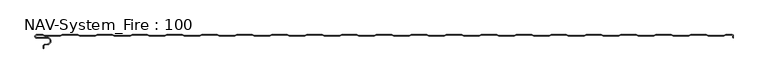
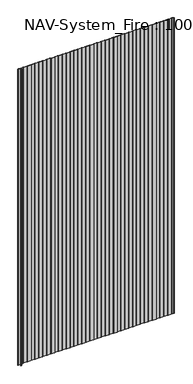
"""IFC4 building model written with IfcOpenShell, lengths in millimetres: plate geometry, NAV-System_Fire : 100."""

from ifc_helpers import new_model, si_unit, frame, origin, place, context, project, spatial, polyline, circle_curve, source, transform, mapped, element, save
from ifc_brep_helpers import plane_surface, cylinder_surface, revolved_surface, advanced_brep


def nav_system_fire_100_80c07519(model_context):
    return source(origin(), model_context, "Body", "AdvancedBrep", [
        advanced_brep(
        [(-488.8798221, -0.8, 0.0), (-497.2500001, -0.8, 0.0), (-497.2500001, -4.1999999, 0.0), (-481.8502086, -4.1999999, 0.0), (-480.9923864, -14.0049502, 0.0), (-485.8625665, -14.8636946, 0.0), (-487.3500004, -16.6363494, 0.0), (-487.3500014, -19.9421291, 0.0), (-488.1500014, -19.9421291, 0.0), (-488.1500014, -16.6363484, 0.0), (-486.0014853, -14.0758488, 0.0), (-481.1313015, -13.217104, 0.0), (-481.850205, -4.9999999, 0.0), (-497.2500001, -4.9999999, 0.0), (-497.2500001, 0.0, 0.0), (-488.75, 0.0, 0.0), (-485.75, -1.0, 0.0), (-463.75, -1.0, 0.0), (-460.75, 0.0, 0.0), (-438.75, 0.0, 0.0), (-435.75, -1.0, 0.0), (-413.75, -1.0, 0.0), (-410.75, 0.0, 0.0), (-388.75, 0.0, 0.0), (-385.75, -1.0, 0.0), (-363.75, -1.0, 0.0), (-360.75, 0.0, 0.0), (-338.75, 0.0, 0.0), (-335.75, -1.0, 0.0), (-313.75, -1.0, 0.0), (-310.75, 0.0, 0.0), (-288.75, 0.0, 0.0), (-285.75, -1.0, 0.0), (-263.75, -1.0, 0.0), (-260.75, 0.0, 0.0), (-238.75, 0.0, 0.0), (-235.75, -1.0, 0.0), (-213.75, -1.0, 0.0), (-210.75, 0.0, 0.0), (-188.75, 0.0, 0.0), (-185.75, -1.0, 0.0), (-163.75, -1.0, 0.0), (-160.75, 0.0, 0.0), (-138.75, 0.0, 0.0), (-135.75, -1.0, 0.0), (-113.75, -1.0, 0.0), (-110.75, 0.0, 0.0), (-88.75, 0.0, 0.0), (-85.75, -1.0, 0.0), (-63.75, -1.0, 0.0), (-60.75, 0.0, 0.0), (-38.75, 0.0, 0.0), (-35.75, -1.0, 0.0), (-13.75, -1.0, 0.0), (-10.75, 0.0, 0.0), (11.25, 0.0, 0.0), (14.25, -1.0, 0.0), (36.25, -1.0, 0.0), (39.25, 0.0, 0.0), (61.25, 0.0, 0.0), (64.25, -1.0, 0.0), (86.25, -1.0, 0.0), (89.25, 0.0, 0.0), (111.25, 0.0, 0.0), (114.25, -1.0, 0.0), (136.25, -1.0, 0.0), (139.25, 0.0, 0.0), (161.25, 0.0, 0.0), (164.25, -1.0, 0.0), (186.25, -1.0, 0.0), (189.25, 0.0, 0.0), (211.25, 0.0, 0.0), (214.25, -1.0, 0.0), (236.25, -1.0, 0.0), (239.25, 0.0, 0.0), (261.25, 0.0, 0.0), (264.25, -1.0, 0.0), (286.25, -1.0, 0.0), (289.25, 0.0, 0.0), (311.25, 0.0, 0.0), (314.25, -1.0, 0.0), (336.25, -1.0, 0.0), (339.25, 0.0, 0.0), (361.25, 0.0, 0.0), (364.25, -1.0, 0.0), (386.25, -1.0, 0.0), (389.25, 0.0, 0.0), (411.25, 0.0, 0.0), (414.25, -1.0, 0.0), (436.25, -1.0, 0.0), (439.25, 0.0, 0.0), (461.25, 0.0, 0.0), (464.25, -1.0, 0.0), (486.25, -1.0, 0.0), (489.25, 0.0, 0.0), (498.2500007, 0.0, 0.0), (499.75, -0.6771234, 0.0), (499.75, -4.6609571, 0.0), (499.4499998, -3.4000047, 0.0), (499.4499998, -2.0021398, 0.0), (498.2500017, -0.8000002, 0.0), (489.3798221, -0.8, 0.0), (486.3798221, -1.8, 0.0), (464.1201779, -1.8, 0.0), (461.1201779, -0.8, 0.0), (439.3798221, -0.8, 0.0), (436.3798221, -1.8, 0.0), (414.1201779, -1.8, 0.0), (411.1201779, -0.8, 0.0), (389.3798221, -0.8, 0.0), (386.3798221, -1.8, 0.0), (364.1201779, -1.8, 0.0), (361.1201779, -0.8, 0.0), (339.3798221, -0.8, 0.0), (336.3798221, -1.8, 0.0), (314.1201779, -1.8, 0.0), (311.1201779, -0.8, 0.0), (289.3798221, -0.8, 0.0), (286.3798221, -1.8, 0.0), (264.1201779, -1.8, 0.0), (261.1201779, -0.8, 0.0), (239.3798221, -0.8, 0.0), (236.3798221, -1.8, 0.0), (214.1201779, -1.8, 0.0), (211.1201779, -0.8, 0.0), (189.3798221, -0.8, 0.0), (186.3798221, -1.8, 0.0), (164.1201779, -1.8, 0.0), (161.1201779, -0.8, 0.0), (139.3798221, -0.8, 0.0), (136.3798221, -1.8, 0.0), (114.1201779, -1.8, 0.0), (111.1201779, -0.8, 0.0), (89.3798221, -0.8, 0.0), (86.3798221, -1.8, 0.0), (64.1201779, -1.8, 0.0), (61.1201779, -0.8, 0.0), (39.3798221, -0.8, 0.0), (36.3798221, -1.8, 0.0), (14.1201779, -1.8, 0.0), (11.1201779, -0.8, 0.0), (-10.6201779, -0.8, 0.0), (-13.6201779, -1.8, 0.0), (-35.8798221, -1.8, 0.0), (-38.8798221, -0.8, 0.0), (-60.6201779, -0.8, 0.0), (-63.6201779, -1.8, 0.0), (-85.8798221, -1.8, 0.0), (-88.8798221, -0.8, 0.0), (-110.6201779, -0.8, 0.0), (-113.6201779, -1.8, 0.0), (-135.8798221, -1.8, 0.0), (-138.8798221, -0.8, 0.0), (-160.6201779, -0.8, 0.0), (-163.6201779, -1.8, 0.0), (-185.8798221, -1.8, 0.0), (-188.8798221, -0.8, 0.0), (-210.6201779, -0.8, 0.0), (-213.6201779, -1.8, 0.0), (-235.8798221, -1.8, 0.0), (-238.8798221, -0.8, 0.0), (-260.6201779, -0.8, 0.0), (-263.6201779, -1.8, 0.0), (-285.8798221, -1.8, 0.0), (-288.8798221, -0.8, 0.0), (-310.6201779, -0.8, 0.0), (-313.6201779, -1.8, 0.0), (-335.8798221, -1.8, 0.0), (-338.8798221, -0.8, 0.0), (-360.6201779, -0.8, 0.0), (-363.6201779, -1.8, 0.0), (-385.8798221, -1.8, 0.0), (-388.8798221, -0.8, 0.0), (-410.6201779, -0.8, 0.0), (-413.6201779, -1.8, 0.0), (-435.8798221, -1.8, 0.0), (-438.8798221, -0.8, 0.0), (-460.6201779, -0.8, 0.0), (-463.6201779, -1.8, 0.0), (-485.8798221, -1.8, 0.0), (-488.8798221, -0.8, 2000.0), (-485.8798221, -1.8, 2000.0), (-463.6201779, -1.8, 2000.0), (-460.6201779, -0.8, 2000.0), (-438.8798221, -0.8, 2000.0), (-435.8798221, -1.8, 2000.0), (-413.6201779, -1.8, 2000.0), (-410.6201779, -0.8, 2000.0), (-388.8798221, -0.8, 2000.0), (-385.8798221, -1.8, 2000.0), (-363.6201779, -1.8, 2000.0), (-360.6201779, -0.8, 2000.0), (-338.8798221, -0.8, 2000.0), (-335.8798221, -1.8, 2000.0), (-313.6201779, -1.8, 2000.0), (-310.6201779, -0.8, 2000.0), (-288.8798221, -0.8, 2000.0), (-285.8798221, -1.8, 2000.0), (-263.6201779, -1.8, 2000.0), (-260.6201779, -0.8, 2000.0), (-238.8798221, -0.8, 2000.0), (-235.8798221, -1.8, 2000.0), (-213.6201779, -1.8, 2000.0), (-210.6201779, -0.8, 2000.0), (-188.8798221, -0.8, 2000.0), (-185.8798221, -1.8, 2000.0), (-163.6201779, -1.8, 2000.0), (-160.6201779, -0.8, 2000.0), (-138.8798221, -0.8, 2000.0), (-135.8798221, -1.8, 2000.0), (-113.6201779, -1.8, 2000.0), (-110.6201779, -0.8, 2000.0), (-88.8798221, -0.8, 2000.0), (-85.8798221, -1.8, 2000.0), (-63.6201779, -1.8, 2000.0), (-60.6201779, -0.8, 2000.0), (-38.8798221, -0.8, 2000.0), (-35.8798221, -1.8, 2000.0), (-13.6201779, -1.8, 2000.0), (-10.6201779, -0.8, 2000.0), (11.1201779, -0.8, 2000.0), (14.1201779, -1.8, 2000.0), (36.3798221, -1.8, 2000.0), (39.3798221, -0.8, 2000.0), (61.1201779, -0.8, 2000.0), (64.1201779, -1.8, 2000.0), (86.3798221, -1.8, 2000.0), (89.3798221, -0.8, 2000.0), (111.1201779, -0.8, 2000.0), (114.1201779, -1.8, 2000.0), (136.3798221, -1.8, 2000.0), (139.3798221, -0.8, 2000.0), (161.1201779, -0.8, 2000.0), (164.1201779, -1.8, 2000.0), (186.3798221, -1.8, 2000.0), (189.3798221, -0.8, 2000.0), (211.1201779, -0.8, 2000.0), (214.1201779, -1.8, 2000.0), (236.3798221, -1.8, 2000.0), (239.3798221, -0.8, 2000.0), (261.1201779, -0.8, 2000.0), (264.1201779, -1.8, 2000.0), (286.3798221, -1.8, 2000.0), (289.3798221, -0.8, 2000.0), (311.1201779, -0.8, 2000.0), (314.1201779, -1.8, 2000.0), (336.3798221, -1.8, 2000.0), (339.3798221, -0.8, 2000.0), (361.1201779, -0.8, 2000.0), (364.1201779, -1.8, 2000.0), (386.3798221, -1.8, 2000.0), (389.3798221, -0.8, 2000.0), (411.1201779, -0.8, 2000.0), (414.1201779, -1.8, 2000.0), (436.3798221, -1.8, 2000.0), (439.3798221, -0.8, 2000.0), (461.1201779, -0.8, 2000.0), (464.1201779, -1.8, 2000.0), (486.3798221, -1.8, 2000.0), (489.3798221, -0.8, 2000.0), (498.2500017, -0.8, 2000.0), (499.4499998, -2.0021398, 2000.0), (499.4499998, -3.4000047, 2000.0), (499.75, -4.6609571, 2000.0), (499.75, -0.6771234, 2000.0), (498.2500007, 0.0, 2000.0), (489.25, 0.0, 2000.0), (486.25, -1.0, 2000.0), (464.25, -1.0, 2000.0), (461.25, 0.0, 2000.0), (439.25, 0.0, 2000.0), (436.25, -1.0, 2000.0), (414.25, -1.0, 2000.0), (411.25, 0.0, 2000.0), (389.25, 0.0, 2000.0), (386.25, -1.0, 2000.0), (364.25, -1.0, 2000.0), (361.25, 0.0, 2000.0), (339.25, 0.0, 2000.0), (336.25, -1.0, 2000.0), (314.25, -1.0, 2000.0), (311.25, 0.0, 2000.0), (289.25, 0.0, 2000.0), (286.25, -1.0, 2000.0), (264.25, -1.0, 2000.0), (261.25, 0.0, 2000.0), (239.25, 0.0, 2000.0), (236.25, -1.0, 2000.0), (214.25, -1.0, 2000.0), (211.25, 0.0, 2000.0), (189.25, 0.0, 2000.0), (186.25, -1.0, 2000.0), (164.25, -1.0, 2000.0), (161.25, 0.0, 2000.0), (139.25, 0.0, 2000.0), (136.25, -1.0, 2000.0), (114.25, -1.0, 2000.0), (111.25, 0.0, 2000.0), (89.25, 0.0, 2000.0), (86.25, -1.0, 2000.0), (64.25, -1.0, 2000.0), (61.25, 0.0, 2000.0), (39.25, 0.0, 2000.0), (36.25, -1.0, 2000.0), (14.25, -1.0, 2000.0), (11.25, 0.0, 2000.0), (-10.75, 0.0, 2000.0), (-13.75, -1.0, 2000.0), (-35.75, -1.0, 2000.0), (-38.75, 0.0, 2000.0), (-60.75, 0.0, 2000.0), (-63.75, -1.0, 2000.0), (-85.75, -1.0, 2000.0), (-88.75, 0.0, 2000.0), (-110.75, 0.0, 2000.0), (-113.75, -1.0, 2000.0), (-135.75, -1.0, 2000.0), (-138.75, 0.0, 2000.0), (-160.75, 0.0, 2000.0), (-163.75, -1.0, 2000.0), (-185.75, -1.0, 2000.0), (-188.75, 0.0, 2000.0), (-210.75, 0.0, 2000.0), (-213.75, -1.0, 2000.0), (-235.75, -1.0, 2000.0), (-238.75, 0.0, 2000.0), (-260.75, 0.0, 2000.0), (-263.75, -1.0, 2000.0), (-285.75, -1.0, 2000.0), (-288.75, 0.0, 2000.0), (-310.75, 0.0, 2000.0), (-313.75, -1.0, 2000.0), (-335.75, -1.0, 2000.0), (-338.75, 0.0, 2000.0), (-360.75, 0.0, 2000.0), (-363.75, -1.0, 2000.0), (-385.75, -1.0, 2000.0), (-388.75, 0.0, 2000.0), (-410.75, 0.0, 2000.0), (-413.75, -1.0, 2000.0), (-435.75, -1.0, 2000.0), (-438.75, 0.0, 2000.0), (-460.75, 0.0, 2000.0), (-463.75, -1.0, 2000.0), (-485.75, -1.0, 2000.0), (-488.75, 0.0, 2000.0), (-497.2500001, 0.0, 2000.0), (-497.2500001, -4.9999999, 2000.0), (-481.850205, -4.9999999, 2000.0), (-481.1313015, -13.217104, 2000.0), (-486.0014853, -14.0758488, 2000.0), (-488.1499997, -16.6363484, 2000.0), (-488.1500014, -19.9421291, 2000.0), (-487.3500014, -19.9421291, 2000.0), (-487.3500014, -16.6363494, 2000.0), (-485.8625665, -14.8636946, 2000.0), (-480.9923864, -14.0049502, 2000.0), (-481.8502086, -4.1999999, 2000.0), (-497.2500001, -4.1999999, 2000.0), (-497.2500001, -0.8000002, 2000.0)],
        [
            (0, 1),
            (1, 2, circle_curve(frame((-497.2500001, -2.5, 0.0), z_axis=(0.0, 0.0, 1.0), x_axis=(1.0, 0.0, 0.0)), 1.6999999)),
            (2, 3),
            (3, 4, circle_curve(frame((-481.8502086, -9.1399999, 0.0), z_axis=(0.0, 0.0, -1.0), x_axis=(1.0, 0.0, 0.0)), 4.94)),
            (4, 5),
            (5, 6, circle_curve(frame((-485.5499995, -16.6363494, 0.0), z_axis=(0.0, 0.0, 1.0), x_axis=(1.0, 0.0, 0.0)), 1.8000009)),
            (6, 7),
            (7, 8),
            (8, 9),
            (9, 10, circle_curve(frame((-485.5500002, -16.6363484, 0.0), z_axis=(0.0, 0.0, -1.0), x_axis=(1.0, 0.0, 0.0)), 2.5999995)),
            (10, 11),
            (11, 12, circle_curve(frame((-481.850205, -9.1399999, 0.0), z_axis=(0.0, 0.0, 1.0), x_axis=(1.0, 0.0, 0.0)), 4.14)),
            (12, 13),
            (13, 14, circle_curve(frame((-497.2500001, -2.4999999, 0.0), z_axis=(0.0, 0.0, -1.0), x_axis=(1.0, 0.0, 0.0)), 2.4999999)),
            (14, 15),
            (15, 16),
            (16, 17),
            (17, 18),
            (18, 19),
            (19, 20),
            (20, 21),
            (21, 22),
            (22, 23),
            (23, 24),
            (24, 25),
            (25, 26),
            (26, 27),
            (27, 28),
            (28, 29),
            (29, 30),
            (30, 31),
            (31, 32),
            (32, 33),
            (33, 34),
            (34, 35),
            (35, 36),
            (36, 37),
            (37, 38),
            (38, 39),
            (39, 40),
            (40, 41),
            (41, 42),
            (42, 43),
            (43, 44),
            (44, 45),
            (45, 46),
            (46, 47),
            (47, 48),
            (48, 49),
            (49, 50),
            (50, 51),
            (51, 52),
            (52, 53),
            (53, 54),
            (54, 55),
            (55, 56),
            (56, 57),
            (57, 58),
            (58, 59),
            (59, 60),
            (60, 61),
            (61, 62),
            (62, 63),
            (63, 64),
            (64, 65),
            (65, 66),
            (66, 67),
            (67, 68),
            (68, 69),
            (69, 70),
            (70, 71),
            (71, 72),
            (72, 73),
            (73, 74),
            (74, 75),
            (75, 76),
            (76, 77),
            (77, 78),
            (78, 79),
            (79, 80),
            (80, 81),
            (81, 82),
            (82, 83),
            (83, 84),
            (84, 85),
            (85, 86),
            (86, 87),
            (87, 88),
            (88, 89),
            (89, 90),
            (90, 91),
            (91, 92),
            (92, 93),
            (93, 94),
            (94, 95),
            (95, 96, circle_curve(frame((498.2500007, -2.0000002, 0.0), z_axis=(0.0, 0.0, -1.0), x_axis=(1.0, 0.0, 0.0)), 2.0000002)),
            (96, 97),
            (97, 98, circle_curve(frame((502.2499995, -3.4000047, 0.0), z_axis=(0.0, 0.0, -1.0), x_axis=(1.0, 0.0, 0.0)), 2.7999997)),
            (98, 99),
            (99, 100, circle_curve(frame((498.2500017, -2.0000002, 0.0), z_axis=(0.0, 0.0, 1.0), x_axis=(1.0, 0.0, 0.0)), 1.2)),
            (100, 101),
            (101, 102),
            (102, 103),
            (103, 104),
            (104, 105),
            (105, 106),
            (106, 107),
            (107, 108),
            (108, 109),
            (109, 110),
            (110, 111),
            (111, 112),
            (112, 113),
            (113, 114),
            (114, 115),
            (115, 116),
            (116, 117),
            (117, 118),
            (118, 119),
            (119, 120),
            (120, 121),
            (121, 122),
            (122, 123),
            (123, 124),
            (124, 125),
            (125, 126),
            (126, 127),
            (127, 128),
            (128, 129),
            (129, 130),
            (130, 131),
            (131, 132),
            (132, 133),
            (133, 134),
            (134, 135),
            (135, 136),
            (136, 137),
            (137, 138),
            (138, 139),
            (139, 140),
            (140, 141),
            (141, 142),
            (142, 143),
            (143, 144),
            (144, 145),
            (145, 146),
            (146, 147),
            (147, 148),
            (148, 149),
            (149, 150),
            (150, 151),
            (151, 152),
            (152, 153),
            (153, 154),
            (154, 155),
            (155, 156),
            (156, 157),
            (157, 158),
            (158, 159),
            (159, 160),
            (160, 161),
            (161, 162),
            (162, 163),
            (163, 164),
            (164, 165),
            (165, 166),
            (166, 167),
            (167, 168),
            (168, 169),
            (169, 170),
            (170, 171),
            (171, 172),
            (172, 173),
            (173, 174),
            (174, 175),
            (175, 176),
            (176, 177),
            (177, 178),
            (178, 179),
            (179, 0),
            (180, 181),
            (181, 182),
            (182, 183),
            (183, 184),
            (184, 185),
            (185, 186),
            (186, 187),
            (187, 188),
            (188, 189),
            (189, 190),
            (190, 191),
            (191, 192),
            (192, 193),
            (193, 194),
            (194, 195),
            (195, 196),
            (196, 197),
            (197, 198),
            (198, 199),
            (199, 200),
            (200, 201),
            (201, 202),
            (202, 203),
            (203, 204),
            (204, 205),
            (205, 206),
            (206, 207),
            (207, 208),
            (208, 209),
            (209, 210),
            (210, 211),
            (211, 212),
            (212, 213),
            (213, 214),
            (214, 215),
            (215, 216),
            (216, 217),
            (217, 218),
            (218, 219),
            (219, 220),
            (220, 221),
            (221, 222),
            (222, 223),
            (223, 224),
            (224, 225),
            (225, 226),
            (226, 227),
            (227, 228),
            (228, 229),
            (229, 230),
            (230, 231),
            (231, 232),
            (232, 233),
            (233, 234),
            (234, 235),
            (235, 236),
            (236, 237),
            (237, 238),
            (238, 239),
            (239, 240),
            (240, 241),
            (241, 242),
            (242, 243),
            (243, 244),
            (244, 245),
            (245, 246),
            (246, 247),
            (247, 248),
            (248, 249),
            (249, 250),
            (250, 251),
            (251, 252),
            (252, 253),
            (253, 254),
            (254, 255),
            (255, 256),
            (256, 257),
            (257, 258),
            (258, 259),
            (259, 260),
            (260, 261, circle_curve(frame((498.2500017, -2.0000002, 2000.0), z_axis=(0.0, 0.0, -1.0), x_axis=(1.0, 0.0, 0.0)), 1.2)),
            (261, 262),
            (262, 263, circle_curve(frame((502.2499995, -3.4000047, 2000.0), z_axis=(0.0, 0.0, 1.0), x_axis=(1.0, 0.0, 0.0)), 2.7999997)),
            (263, 264),
            (264, 265, circle_curve(frame((498.2500007, -2.0000002, 2000.0), z_axis=(0.0, 0.0, 1.0), x_axis=(1.0, 0.0, 0.0)), 2.0000002)),
            (265, 266),
            (266, 267),
            (267, 268),
            (268, 269),
            (269, 270),
            (270, 271),
            (271, 272),
            (272, 273),
            (273, 274),
            (274, 275),
            (275, 276),
            (276, 277),
            (277, 278),
            (278, 279),
            (279, 280),
            (280, 281),
            (281, 282),
            (282, 283),
            (283, 284),
            (284, 285),
            (285, 286),
            (286, 287),
            (287, 288),
            (288, 289),
            (289, 290),
            (290, 291),
            (291, 292),
            (292, 293),
            (293, 294),
            (294, 295),
            (295, 296),
            (296, 297),
            (297, 298),
            (298, 299),
            (299, 300),
            (300, 301),
            (301, 302),
            (302, 303),
            (303, 304),
            (304, 305),
            (305, 306),
            (306, 307),
            (307, 308),
            (308, 309),
            (309, 310),
            (310, 311),
            (311, 312),
            (312, 313),
            (313, 314),
            (314, 315),
            (315, 316),
            (316, 317),
            (317, 318),
            (318, 319),
            (319, 320),
            (320, 321),
            (321, 322),
            (322, 323),
            (323, 324),
            (324, 325),
            (325, 326),
            (326, 327),
            (327, 328),
            (328, 329),
            (329, 330),
            (330, 331),
            (331, 332),
            (332, 333),
            (333, 334),
            (334, 335),
            (335, 336),
            (336, 337),
            (337, 338),
            (338, 339),
            (339, 340),
            (340, 341),
            (341, 342),
            (342, 343),
            (343, 344),
            (344, 345),
            (345, 346),
            (346, 347, circle_curve(frame((-497.2500001, -2.4999999, 2000.0), z_axis=(0.0, 0.0, 1.0), x_axis=(1.0, 0.0, 0.0)), 2.4999999)),
            (347, 348),
            (348, 349, circle_curve(frame((-481.850205, -9.1399999, 2000.0), z_axis=(0.0, 0.0, -1.0), x_axis=(1.0, 0.0, 0.0)), 4.14)),
            (349, 350),
            (350, 351, circle_curve(frame((-485.5500002, -16.6363484, 2000.0), z_axis=(0.0, 0.0, 1.0), x_axis=(1.0, 0.0, 0.0)), 2.5999995)),
            (351, 352),
            (352, 353),
            (353, 354),
            (354, 355, circle_curve(frame((-485.5499995, -16.6363494, 2000.0), z_axis=(0.0, 0.0, -1.0), x_axis=(1.0, 0.0, 0.0)), 1.8000009)),
            (355, 356),
            (356, 357, circle_curve(frame((-481.8502086, -9.1399999, 2000.0), z_axis=(0.0, 0.0, 1.0), x_axis=(1.0, 0.0, 0.0)), 4.94)),
            (357, 358),
            (358, 359, circle_curve(frame((-497.2500001, -2.5, 2000.0), z_axis=(0.0, 0.0, -1.0), x_axis=(1.0, 0.0, 0.0)), 1.6999999)),
            (359, 180),
            (0, 180),
            (359, 1),
            (14, 346),
            (345, 15),
            (100, 260),
            (259, 101),
            (258, 102),
            (257, 103),
            (256, 104),
            (255, 105),
            (254, 106),
            (253, 107),
            (252, 108),
            (251, 109),
            (250, 110),
            (249, 111),
            (248, 112),
            (247, 113),
            (246, 114),
            (245, 115),
            (244, 116),
            (243, 117),
            (242, 118),
            (241, 119),
            (240, 120),
            (239, 121),
            (238, 122),
            (237, 123),
            (236, 124),
            (235, 125),
            (234, 126),
            (233, 127),
            (232, 128),
            (231, 129),
            (230, 130),
            (229, 131),
            (228, 132),
            (227, 133),
            (226, 134),
            (225, 135),
            (224, 136),
            (223, 137),
            (222, 138),
            (221, 139),
            (220, 140),
            (219, 141),
            (218, 142),
            (217, 143),
            (216, 144),
            (215, 145),
            (214, 146),
            (213, 147),
            (212, 148),
            (211, 149),
            (210, 150),
            (209, 151),
            (208, 152),
            (207, 153),
            (206, 154),
            (205, 155),
            (204, 156),
            (203, 157),
            (202, 158),
            (201, 159),
            (200, 160),
            (199, 161),
            (198, 162),
            (197, 163),
            (196, 164),
            (195, 165),
            (194, 166),
            (193, 167),
            (192, 168),
            (191, 169),
            (190, 170),
            (189, 171),
            (188, 172),
            (187, 173),
            (186, 174),
            (185, 175),
            (184, 176),
            (183, 177),
            (182, 178),
            (181, 179),
            (344, 16),
            (343, 17),
            (342, 18),
            (341, 19),
            (340, 20),
            (339, 21),
            (338, 22),
            (337, 23),
            (336, 24),
            (335, 25),
            (334, 26),
            (333, 27),
            (332, 28),
            (331, 29),
            (330, 30),
            (329, 31),
            (328, 32),
            (327, 33),
            (326, 34),
            (325, 35),
            (324, 36),
            (323, 37),
            (322, 38),
            (321, 39),
            (320, 40),
            (319, 41),
            (318, 42),
            (317, 43),
            (316, 44),
            (315, 45),
            (314, 46),
            (313, 47),
            (312, 48),
            (311, 49),
            (310, 50),
            (309, 51),
            (308, 52),
            (307, 53),
            (306, 54),
            (305, 55),
            (304, 56),
            (303, 57),
            (302, 58),
            (301, 59),
            (300, 60),
            (299, 61),
            (298, 62),
            (297, 63),
            (296, 64),
            (295, 65),
            (294, 66),
            (293, 67),
            (292, 68),
            (291, 69),
            (290, 70),
            (289, 71),
            (288, 72),
            (287, 73),
            (286, 74),
            (285, 75),
            (284, 76),
            (283, 77),
            (282, 78),
            (281, 79),
            (280, 80),
            (279, 81),
            (278, 82),
            (277, 83),
            (276, 84),
            (275, 85),
            (274, 86),
            (273, 87),
            (272, 88),
            (271, 89),
            (270, 90),
            (269, 91),
            (268, 92),
            (267, 93),
            (266, 94),
            (265, 95),
            (2, 358),
            (357, 3),
            (6, 354),
            (353, 7),
            (352, 8),
            (351, 9),
            (12, 348),
            (347, 13),
            (356, 4),
            (355, 5),
            (350, 10),
            (349, 11),
            (264, 96),
            (262, 98),
            (97, 263),
            (261, 99),
        ],
        [
            plane_surface(frame((-499.75, 0.0, 0.0), z_axis=(0.0, 0.0, -1.0), x_axis=(0.0, -1.0, 0.0))),
            plane_surface(frame((-499.75, 0.0, 2000.0), z_axis=(0.0, 0.0, 1.0), x_axis=(0.0, -1.0, 0.0))),
            plane_surface(frame((-488.8798221, -0.8, 0.0), z_axis=(0.0, -1.0, 0.0), x_axis=(0.0, 0.0, 1.0))),
            plane_surface(frame((-497.2500001, 0.0, 0.0), z_axis=(0.0, 1.0, 0.0), x_axis=(0.0, 0.0, 1.0))),
            plane_surface(frame((498.2500017, -0.8, 0.0), z_axis=(0.0, -1.0, 0.0), x_axis=(0.0, 0.0, 1.0))),
            plane_surface(frame((489.3798221, -0.8, 0.0), z_axis=(0.31622776601669594, -0.9486832980505612, 0.0), x_axis=(0.0, 0.0, 1.0))),
            plane_surface(frame((486.3798221, -1.8, 0.0), z_axis=(0.0, -1.0, 0.0), x_axis=(0.0, 0.0, 1.0))),
            plane_surface(frame((464.1201779, -1.8, 0.0), z_axis=(-0.3162277660168045, -0.948683298050525, 0.0), x_axis=(0.0, 0.0, 1.0))),
            plane_surface(frame((461.1201779, -0.8, 0.0), z_axis=(0.0, -1.0, 0.0), x_axis=(0.0, 0.0, 1.0))),
            plane_surface(frame((439.3798221, -0.8, 0.0), z_axis=(0.3162277660167413, -0.9486832980505461, 0.0), x_axis=(0.0, 0.0, 1.0))),
            plane_surface(frame((436.3798221, -1.8, 0.0), z_axis=(0.0, -1.0, 0.0), x_axis=(0.0, 0.0, 1.0))),
            plane_surface(frame((414.1201779, -1.8, 0.0), z_axis=(-0.31622776601675356, -0.948683298050542, 0.0), x_axis=(0.0, 0.0, 1.0))),
            plane_surface(frame((411.1201779, -0.8, 0.0), z_axis=(0.0, -1.0, 0.0), x_axis=(0.0, 0.0, 1.0))),
            plane_surface(frame((389.3798221, -0.8, 0.0), z_axis=(0.31622776601679226, -0.9486832980505291, 0.0), x_axis=(0.0, 0.0, 1.0))),
            plane_surface(frame((386.3798221, -1.8, 0.0), z_axis=(0.0, -1.0, 0.0), x_axis=(0.0, 0.0, 1.0))),
            plane_surface(frame((364.1201779, -1.8, 0.0), z_axis=(-0.3162277660168045, -0.948683298050525, 0.0), x_axis=(0.0, 0.0, 1.0))),
            plane_surface(frame((361.1201779, -0.8, 0.0), z_axis=(0.0, -1.0, 0.0), x_axis=(0.0, 0.0, 1.0))),
            plane_surface(frame((339.3798221, -0.8, 0.0), z_axis=(0.3162277660167413, -0.9486832980505461, 0.0), x_axis=(0.0, 0.0, 1.0))),
            plane_surface(frame((336.3798221, -1.8, 0.0), z_axis=(0.0, -1.0, 0.0), x_axis=(0.0, 0.0, 1.0))),
            plane_surface(frame((314.1201779, -1.8, 0.0), z_axis=(-0.31622776601675356, -0.948683298050542, 0.0), x_axis=(0.0, 0.0, 1.0))),
            plane_surface(frame((311.1201779, -0.8, 0.0), z_axis=(0.0, -1.0, 0.0), x_axis=(0.0, 0.0, 1.0))),
            plane_surface(frame((289.3798221, -0.8, 0.0), z_axis=(0.31622776601679226, -0.9486832980505291, 0.0), x_axis=(0.0, 0.0, 1.0))),
            plane_surface(frame((286.3798221, -1.8, 0.0), z_axis=(0.0, -1.0, 0.0), x_axis=(0.0, 0.0, 1.0))),
            plane_surface(frame((264.1201779, -1.8, 0.0), z_axis=(-0.3162277660168045, -0.948683298050525, 0.0), x_axis=(0.0, 0.0, 1.0))),
            plane_surface(frame((261.1201779, -0.8, 0.0), z_axis=(0.0, -1.0, 0.0), x_axis=(0.0, 0.0, 1.0))),
            plane_surface(frame((239.3798221, -0.8, 0.0), z_axis=(0.3162277660167413, -0.9486832980505461, 0.0), x_axis=(0.0, 0.0, 1.0))),
            plane_surface(frame((236.3798221, -1.8, 0.0), z_axis=(0.0, -1.0, 0.0), x_axis=(0.0, 0.0, 1.0))),
            plane_surface(frame((214.1201779, -1.8, 0.0), z_axis=(-0.31622776601675356, -0.948683298050542, 0.0), x_axis=(0.0, 0.0, 1.0))),
            plane_surface(frame((211.1201779, -0.8, 0.0), z_axis=(0.0, -1.0, 0.0), x_axis=(0.0, 0.0, 1.0))),
            plane_surface(frame((189.3798221, -0.8, 0.0), z_axis=(0.31622776601679226, -0.9486832980505291, 0.0), x_axis=(0.0, 0.0, 1.0))),
            plane_surface(frame((186.3798221, -1.8, 0.0), z_axis=(0.0, -1.0, 0.0), x_axis=(0.0, 0.0, 1.0))),
            plane_surface(frame((164.1201779, -1.8, 0.0), z_axis=(-0.3162277660168045, -0.948683298050525, 0.0), x_axis=(0.0, 0.0, 1.0))),
            plane_surface(frame((161.1201779, -0.8, 0.0), z_axis=(0.0, -1.0, 0.0), x_axis=(0.0, 0.0, 1.0))),
            plane_surface(frame((139.3798221, -0.8, 0.0), z_axis=(0.3162277660167413, -0.9486832980505461, 0.0), x_axis=(0.0, 0.0, 1.0))),
            plane_surface(frame((136.3798221, -1.8, 0.0), z_axis=(0.0, -1.0, 0.0), x_axis=(0.0, 0.0, 1.0))),
            plane_surface(frame((114.1201779, -1.8, 0.0), z_axis=(-0.31622776601675356, -0.948683298050542, 0.0), x_axis=(0.0, 0.0, 1.0))),
            plane_surface(frame((111.1201779, -0.8, 0.0), z_axis=(0.0, -1.0, 0.0), x_axis=(0.0, 0.0, 1.0))),
            plane_surface(frame((89.3798221, -0.8, 0.0), z_axis=(0.3162277660167413, -0.9486832980505461, 0.0), x_axis=(0.0, 0.0, 1.0))),
            plane_surface(frame((86.3798221, -1.8, 0.0), z_axis=(0.0, -1.0, 0.0), x_axis=(0.0, 0.0, 1.0))),
            plane_surface(frame((64.1201779, -1.8, 0.0), z_axis=(-0.31622776601675356, -0.948683298050542, 0.0), x_axis=(0.0, 0.0, 1.0))),
            plane_surface(frame((61.1201779, -0.8, 0.0), z_axis=(0.0, -1.0, 0.0), x_axis=(0.0, 0.0, 1.0))),
            plane_surface(frame((39.3798221, -0.8, 0.0), z_axis=(0.31622776601679226, -0.9486832980505291, 0.0), x_axis=(0.0, 0.0, 1.0))),
            plane_surface(frame((36.3798221, -1.8, 0.0), z_axis=(0.0, -1.0, 0.0), x_axis=(0.0, 0.0, 1.0))),
            plane_surface(frame((14.1201779, -1.8, 0.0), z_axis=(-0.3162277660168045, -0.948683298050525, 0.0), x_axis=(0.0, 0.0, 1.0))),
            plane_surface(frame((11.1201779, -0.8, 0.0), z_axis=(0.0, -1.0, 0.0), x_axis=(0.0, 0.0, 1.0))),
            plane_surface(frame((-10.6201779, -0.8, 0.0), z_axis=(0.3162277660167413, -0.9486832980505461, 0.0), x_axis=(0.0, 0.0, 1.0))),
            plane_surface(frame((-13.6201779, -1.8, 0.0), z_axis=(0.0, -1.0, 0.0), x_axis=(0.0, 0.0, 1.0))),
            plane_surface(frame((-35.8798221, -1.8, 0.0), z_axis=(-0.31622776601675356, -0.948683298050542, 0.0), x_axis=(0.0, 0.0, 1.0))),
            plane_surface(frame((-38.8798221, -0.8, 0.0), z_axis=(0.0, -1.0, 0.0), x_axis=(0.0, 0.0, 1.0))),
            plane_surface(frame((-60.6201779, -0.8, 0.0), z_axis=(0.31622776601679226, -0.9486832980505291, 0.0), x_axis=(0.0, 0.0, 1.0))),
            plane_surface(frame((-63.6201779, -1.8, 0.0), z_axis=(0.0, -1.0, 0.0), x_axis=(0.0, 0.0, 1.0))),
            plane_surface(frame((-85.8798221, -1.8, 0.0), z_axis=(-0.3162277660168045, -0.948683298050525, 0.0), x_axis=(0.0, 0.0, 1.0))),
            plane_surface(frame((-88.8798221, -0.8, 0.0), z_axis=(0.0, -1.0, 0.0), x_axis=(0.0, 0.0, 1.0))),
            plane_surface(frame((-110.6201779, -0.8, 0.0), z_axis=(0.3162277660167413, -0.9486832980505461, 0.0), x_axis=(0.0, 0.0, 1.0))),
            plane_surface(frame((-113.6201779, -1.8, 0.0), z_axis=(0.0, -1.0, 0.0), x_axis=(0.0, 0.0, 1.0))),
            plane_surface(frame((-135.8798221, -1.8, 0.0), z_axis=(-0.31622776601675356, -0.948683298050542, 0.0), x_axis=(0.0, 0.0, 1.0))),
            plane_surface(frame((-138.8798221, -0.8, 0.0), z_axis=(0.0, -1.0, 0.0), x_axis=(0.0, 0.0, 1.0))),
            plane_surface(frame((-160.6201779, -0.8, 0.0), z_axis=(0.31622776601679226, -0.9486832980505291, 0.0), x_axis=(0.0, 0.0, 1.0))),
            plane_surface(frame((-163.6201779, -1.8, 0.0), z_axis=(0.0, -1.0, 0.0), x_axis=(0.0, 0.0, 1.0))),
            plane_surface(frame((-185.8798221, -1.8, 0.0), z_axis=(-0.3162277660168056, -0.9486832980505246, 0.0), x_axis=(0.0, 0.0, 1.0))),
            plane_surface(frame((-188.8798221, -0.8, 0.0), z_axis=(0.0, -1.0, 0.0), x_axis=(0.0, 0.0, 1.0))),
            plane_surface(frame((-210.6201779, -0.8, 0.0), z_axis=(0.3162277660167413, -0.9486832980505461, 0.0), x_axis=(0.0, 0.0, 1.0))),
            plane_surface(frame((-213.6201779, -1.8, 0.0), z_axis=(0.0, -1.0, 0.0), x_axis=(0.0, 0.0, 1.0))),
            plane_surface(frame((-235.8798221, -1.8, 0.0), z_axis=(-0.31622776601675356, -0.948683298050542, 0.0), x_axis=(0.0, 0.0, 1.0))),
            plane_surface(frame((-238.8798221, -0.8, 0.0), z_axis=(0.0, -1.0, 0.0), x_axis=(0.0, 0.0, 1.0))),
            plane_surface(frame((-260.6201779, -0.8, 0.0), z_axis=(0.31622776601679226, -0.9486832980505291, 0.0), x_axis=(0.0, 0.0, 1.0))),
            plane_surface(frame((-263.6201779, -1.8, 0.0), z_axis=(0.0, -1.0, 0.0), x_axis=(0.0, 0.0, 1.0))),
            plane_surface(frame((-285.8798221, -1.8, 0.0), z_axis=(-0.3162277660168045, -0.948683298050525, 0.0), x_axis=(0.0, 0.0, 1.0))),
            plane_surface(frame((-288.8798221, -0.8, 0.0), z_axis=(0.0, -1.0, 0.0), x_axis=(0.0, 0.0, 1.0))),
            plane_surface(frame((-310.6201779, -0.8, 0.0), z_axis=(0.3162277660167413, -0.9486832980505461, 0.0), x_axis=(0.0, 0.0, 1.0))),
            plane_surface(frame((-313.6201779, -1.8, 0.0), z_axis=(0.0, -1.0, 0.0), x_axis=(0.0, 0.0, 1.0))),
            plane_surface(frame((-335.8798221, -1.8, 0.0), z_axis=(-0.31622776601675356, -0.948683298050542, 0.0), x_axis=(0.0, 0.0, 1.0))),
            plane_surface(frame((-338.8798221, -0.8, 0.0), z_axis=(0.0, -1.0, 0.0), x_axis=(0.0, 0.0, 1.0))),
            plane_surface(frame((-360.6201779, -0.8, 0.0), z_axis=(0.31622776601679226, -0.9486832980505291, 0.0), x_axis=(0.0, 0.0, 1.0))),
            plane_surface(frame((-363.6201779, -1.8, 0.0), z_axis=(0.0, -1.0, 0.0), x_axis=(0.0, 0.0, 1.0))),
            plane_surface(frame((-385.8798221, -1.8, 0.0), z_axis=(-0.3162277660168045, -0.948683298050525, 0.0), x_axis=(0.0, 0.0, 1.0))),
            plane_surface(frame((-388.8798221, -0.8, 0.0), z_axis=(0.0, -1.0, 0.0), x_axis=(0.0, 0.0, 1.0))),
            plane_surface(frame((-410.6201779, -0.8, 0.0), z_axis=(0.31622776601679226, -0.9486832980505291, 0.0), x_axis=(0.0, 0.0, 1.0))),
            plane_surface(frame((-413.6201779, -1.8, 0.0), z_axis=(0.0, -1.0, 0.0), x_axis=(0.0, 0.0, 1.0))),
            plane_surface(frame((-435.8798221, -1.8, 0.0), z_axis=(-0.3162277660168045, -0.948683298050525, 0.0), x_axis=(0.0, 0.0, 1.0))),
            plane_surface(frame((-438.8798221, -0.8, 0.0), z_axis=(0.0, -1.0, 0.0), x_axis=(0.0, 0.0, 1.0))),
            plane_surface(frame((-460.6201779, -0.8, 0.0), z_axis=(0.3162277660167413, -0.9486832980505461, 0.0), x_axis=(0.0, 0.0, 1.0))),
            plane_surface(frame((-463.6201779, -1.8, 0.0), z_axis=(0.0, -1.0, 0.0), x_axis=(0.0, 0.0, 1.0))),
            plane_surface(frame((-485.8798221, -1.8, 0.0), z_axis=(-0.3162277660167413, -0.9486832980505461, 0.0), x_axis=(0.0, 0.0, 1.0))),
            plane_surface(frame((-488.75, 0.0, 0.0), z_axis=(0.31622776601671865, 0.9486832980505536, 0.0), x_axis=(0.0, 0.0, 1.0))),
            plane_surface(frame((-485.75, -1.0, 0.0), z_axis=(0.0, 1.0, 0.0), x_axis=(0.0, 0.0, 1.0))),
            plane_surface(frame((-463.75, -1.0, 0.0), z_axis=(-0.31622776601671865, 0.9486832980505536, 0.0), x_axis=(0.0, 0.0, 1.0))),
            plane_surface(frame((-460.75, 0.0, 0.0), z_axis=(0.0, 1.0, 0.0), x_axis=(0.0, 0.0, 1.0))),
            plane_surface(frame((-438.75, 0.0, 0.0), z_axis=(0.31622776601678754, 0.9486832980505306, 0.0), x_axis=(0.0, 0.0, 1.0))),
            plane_surface(frame((-435.75, -1.0, 0.0), z_axis=(0.0, 1.0, 0.0), x_axis=(0.0, 0.0, 1.0))),
            plane_surface(frame((-413.75, -1.0, 0.0), z_axis=(-0.3162277660167752, 0.9486832980505348, 0.0), x_axis=(0.0, 0.0, 1.0))),
            plane_surface(frame((-410.75, 0.0, 0.0), z_axis=(0.0, 1.0, 0.0), x_axis=(0.0, 0.0, 1.0))),
            plane_surface(frame((-388.75, 0.0, 0.0), z_axis=(0.31622776601678754, 0.9486832980505306, 0.0), x_axis=(0.0, 0.0, 1.0))),
            plane_surface(frame((-385.75, -1.0, 0.0), z_axis=(0.0, 1.0, 0.0), x_axis=(0.0, 0.0, 1.0))),
            plane_surface(frame((-363.75, -1.0, 0.0), z_axis=(-0.3162277660167752, 0.9486832980505348, 0.0), x_axis=(0.0, 0.0, 1.0))),
            plane_surface(frame((-360.75, 0.0, 0.0), z_axis=(0.0, 1.0, 0.0), x_axis=(0.0, 0.0, 1.0))),
            plane_surface(frame((-338.75, 0.0, 0.0), z_axis=(0.3162277660167309, 0.9486832980505495, 0.0), x_axis=(0.0, 0.0, 1.0))),
            plane_surface(frame((-335.75, -1.0, 0.0), z_axis=(0.0, 1.0, 0.0), x_axis=(0.0, 0.0, 1.0))),
            plane_surface(frame((-313.75, -1.0, 0.0), z_axis=(-0.31622776601671865, 0.9486832980505536, 0.0), x_axis=(0.0, 0.0, 1.0))),
            plane_surface(frame((-310.75, 0.0, 0.0), z_axis=(0.0, 1.0, 0.0), x_axis=(0.0, 0.0, 1.0))),
            plane_surface(frame((-288.75, 0.0, 0.0), z_axis=(0.31622776601678754, 0.9486832980505306, 0.0), x_axis=(0.0, 0.0, 1.0))),
            plane_surface(frame((-285.75, -1.0, 0.0), z_axis=(0.0, 1.0, 0.0), x_axis=(0.0, 0.0, 1.0))),
            plane_surface(frame((-263.75, -1.0, 0.0), z_axis=(-0.3162277660167752, 0.9486832980505348, 0.0), x_axis=(0.0, 0.0, 1.0))),
            plane_surface(frame((-260.75, 0.0, 0.0), z_axis=(0.0, 1.0, 0.0), x_axis=(0.0, 0.0, 1.0))),
            plane_surface(frame((-238.75, 0.0, 0.0), z_axis=(0.3162277660167309, 0.9486832980505495, 0.0), x_axis=(0.0, 0.0, 1.0))),
            plane_surface(frame((-235.75, -1.0, 0.0), z_axis=(0.0, 1.0, 0.0), x_axis=(0.0, 0.0, 1.0))),
            plane_surface(frame((-213.75, -1.0, 0.0), z_axis=(-0.31622776601671865, 0.9486832980505536, 0.0), x_axis=(0.0, 0.0, 1.0))),
            plane_surface(frame((-210.75, 0.0, 0.0), z_axis=(0.0, 1.0, 0.0), x_axis=(0.0, 0.0, 1.0))),
            plane_surface(frame((-188.75, 0.0, 0.0), z_axis=(0.3162277660168056, 0.9486832980505246, 0.0), x_axis=(0.0, 0.0, 1.0))),
            plane_surface(frame((-185.75, -1.0, 0.0), z_axis=(0.0, 1.0, 0.0), x_axis=(0.0, 0.0, 1.0))),
            plane_surface(frame((-163.75, -1.0, 0.0), z_axis=(-0.3162277660167752, 0.9486832980505348, 0.0), x_axis=(0.0, 0.0, 1.0))),
            plane_surface(frame((-160.75, 0.0, 0.0), z_axis=(0.0, 1.0, 0.0), x_axis=(0.0, 0.0, 1.0))),
            plane_surface(frame((-138.75, 0.0, 0.0), z_axis=(0.3162277660167309, 0.9486832980505495, 0.0), x_axis=(0.0, 0.0, 1.0))),
            plane_surface(frame((-135.75, -1.0, 0.0), z_axis=(0.0, 1.0, 0.0), x_axis=(0.0, 0.0, 1.0))),
            plane_surface(frame((-113.75, -1.0, 0.0), z_axis=(-0.31622776601671865, 0.9486832980505536, 0.0), x_axis=(0.0, 0.0, 1.0))),
            plane_surface(frame((-110.75, 0.0, 0.0), z_axis=(0.0, 1.0, 0.0), x_axis=(0.0, 0.0, 1.0))),
            plane_surface(frame((-88.75, 0.0, 0.0), z_axis=(0.31622776601678754, 0.9486832980505306, 0.0), x_axis=(0.0, 0.0, 1.0))),
            plane_surface(frame((-85.75, -1.0, 0.0), z_axis=(0.0, 1.0, 0.0), x_axis=(0.0, 0.0, 1.0))),
            plane_surface(frame((-63.75, -1.0, 0.0), z_axis=(-0.3162277660167752, 0.9486832980505348, 0.0), x_axis=(0.0, 0.0, 1.0))),
            plane_surface(frame((-60.75, 0.0, 0.0), z_axis=(0.0, 1.0, 0.0), x_axis=(0.0, 0.0, 1.0))),
            plane_surface(frame((-38.75, 0.0, 0.0), z_axis=(0.3162277660167309, 0.9486832980505495, 0.0), x_axis=(0.0, 0.0, 1.0))),
            plane_surface(frame((-35.75, -1.0, 0.0), z_axis=(0.0, 1.0, 0.0), x_axis=(0.0, 0.0, 1.0))),
            plane_surface(frame((-13.75, -1.0, 0.0), z_axis=(-0.31622776601671865, 0.9486832980505536, 0.0), x_axis=(0.0, 0.0, 1.0))),
            plane_surface(frame((-10.75, 0.0, 0.0), z_axis=(0.0, 1.0, 0.0), x_axis=(0.0, 0.0, 1.0))),
            plane_surface(frame((11.25, 0.0, 0.0), z_axis=(0.31622776601678754, 0.9486832980505306, 0.0), x_axis=(0.0, 0.0, 1.0))),
            plane_surface(frame((14.25, -1.0, 0.0), z_axis=(0.0, 1.0, 0.0), x_axis=(0.0, 0.0, 1.0))),
            plane_surface(frame((36.25, -1.0, 0.0), z_axis=(-0.3162277660167752, 0.9486832980505348, 0.0), x_axis=(0.0, 0.0, 1.0))),
            plane_surface(frame((39.25, 0.0, 0.0), z_axis=(0.0, 1.0, 0.0), x_axis=(0.0, 0.0, 1.0))),
            plane_surface(frame((61.25, 0.0, 0.0), z_axis=(0.3162277660167309, 0.9486832980505495, 0.0), x_axis=(0.0, 0.0, 1.0))),
            plane_surface(frame((64.25, -1.0, 0.0), z_axis=(0.0, 1.0, 0.0), x_axis=(0.0, 0.0, 1.0))),
            plane_surface(frame((86.25, -1.0, 0.0), z_axis=(-0.31622776601671865, 0.9486832980505536, 0.0), x_axis=(0.0, 0.0, 1.0))),
            plane_surface(frame((89.25, 0.0, 0.0), z_axis=(0.0, 1.0, 0.0), x_axis=(0.0, 0.0, 1.0))),
            plane_surface(frame((111.25, 0.0, 0.0), z_axis=(0.3162277660167309, 0.9486832980505495, 0.0), x_axis=(0.0, 0.0, 1.0))),
            plane_surface(frame((114.25, -1.0, 0.0), z_axis=(0.0, 1.0, 0.0), x_axis=(0.0, 0.0, 1.0))),
            plane_surface(frame((136.25, -1.0, 0.0), z_axis=(-0.31622776601671865, 0.9486832980505536, 0.0), x_axis=(0.0, 0.0, 1.0))),
            plane_surface(frame((139.25, 0.0, 0.0), z_axis=(0.0, 1.0, 0.0), x_axis=(0.0, 0.0, 1.0))),
            plane_surface(frame((161.25, 0.0, 0.0), z_axis=(0.31622776601678754, 0.9486832980505306, 0.0), x_axis=(0.0, 0.0, 1.0))),
            plane_surface(frame((164.25, -1.0, 0.0), z_axis=(0.0, 1.0, 0.0), x_axis=(0.0, 0.0, 1.0))),
            plane_surface(frame((186.25, -1.0, 0.0), z_axis=(-0.3162277660167752, 0.9486832980505348, 0.0), x_axis=(0.0, 0.0, 1.0))),
            plane_surface(frame((189.25, 0.0, 0.0), z_axis=(0.0, 1.0, 0.0), x_axis=(0.0, 0.0, 1.0))),
            plane_surface(frame((211.25, 0.0, 0.0), z_axis=(0.3162277660167309, 0.9486832980505495, 0.0), x_axis=(0.0, 0.0, 1.0))),
            plane_surface(frame((214.25, -1.0, 0.0), z_axis=(0.0, 1.0, 0.0), x_axis=(0.0, 0.0, 1.0))),
            plane_surface(frame((236.25, -1.0, 0.0), z_axis=(-0.31622776601671865, 0.9486832980505536, 0.0), x_axis=(0.0, 0.0, 1.0))),
            plane_surface(frame((239.25, 0.0, 0.0), z_axis=(0.0, 1.0, 0.0), x_axis=(0.0, 0.0, 1.0))),
            plane_surface(frame((261.25, 0.0, 0.0), z_axis=(0.31622776601678754, 0.9486832980505306, 0.0), x_axis=(0.0, 0.0, 1.0))),
            plane_surface(frame((264.25, -1.0, 0.0), z_axis=(0.0, 1.0, 0.0), x_axis=(0.0, 0.0, 1.0))),
            plane_surface(frame((286.25, -1.0, 0.0), z_axis=(-0.3162277660167752, 0.9486832980505348, 0.0), x_axis=(0.0, 0.0, 1.0))),
            plane_surface(frame((289.25, 0.0, 0.0), z_axis=(0.0, 1.0, 0.0), x_axis=(0.0, 0.0, 1.0))),
            plane_surface(frame((311.25, 0.0, 0.0), z_axis=(0.3162277660167309, 0.9486832980505495, 0.0), x_axis=(0.0, 0.0, 1.0))),
            plane_surface(frame((314.25, -1.0, 0.0), z_axis=(0.0, 1.0, 0.0), x_axis=(0.0, 0.0, 1.0))),
            plane_surface(frame((336.25, -1.0, 0.0), z_axis=(-0.31622776601671865, 0.9486832980505536, 0.0), x_axis=(0.0, 0.0, 1.0))),
            plane_surface(frame((339.25, 0.0, 0.0), z_axis=(0.0, 1.0, 0.0), x_axis=(0.0, 0.0, 1.0))),
            plane_surface(frame((361.25, 0.0, 0.0), z_axis=(0.31622776601678754, 0.9486832980505306, 0.0), x_axis=(0.0, 0.0, 1.0))),
            plane_surface(frame((364.25, -1.0, 0.0), z_axis=(0.0, 1.0, 0.0), x_axis=(0.0, 0.0, 1.0))),
            plane_surface(frame((386.25, -1.0, 0.0), z_axis=(-0.3162277660167752, 0.9486832980505348, 0.0), x_axis=(0.0, 0.0, 1.0))),
            plane_surface(frame((389.25, 0.0, 0.0), z_axis=(0.0, 1.0, 0.0), x_axis=(0.0, 0.0, 1.0))),
            plane_surface(frame((411.25, 0.0, 0.0), z_axis=(0.3162277660167309, 0.9486832980505495, 0.0), x_axis=(0.0, 0.0, 1.0))),
            plane_surface(frame((414.25, -1.0, 0.0), z_axis=(0.0, 1.0, 0.0), x_axis=(0.0, 0.0, 1.0))),
            plane_surface(frame((436.25, -1.0, 0.0), z_axis=(-0.31622776601671865, 0.9486832980505536, 0.0), x_axis=(0.0, 0.0, 1.0))),
            plane_surface(frame((439.25, 0.0, 0.0), z_axis=(0.0, 1.0, 0.0), x_axis=(0.0, 0.0, 1.0))),
            plane_surface(frame((461.25, 0.0, 0.0), z_axis=(0.31622776601678754, 0.9486832980505306, 0.0), x_axis=(0.0, 0.0, 1.0))),
            plane_surface(frame((464.25, -1.0, 0.0), z_axis=(0.0, 1.0, 0.0), x_axis=(0.0, 0.0, 1.0))),
            plane_surface(frame((486.25, -1.0, 0.0), z_axis=(-0.31622776601667335, 0.9486832980505686, 0.0), x_axis=(0.0, 0.0, 1.0))),
            plane_surface(frame((489.25, 0.0, 0.0), z_axis=(0.0, 1.0, 0.0), x_axis=(0.0, 0.0, 1.0))),
            plane_surface(frame((-497.2500001, -4.1999999, 0.0), z_axis=(0.0, 1.0, 0.0), x_axis=(0.0, 0.0, 1.0))),
            plane_surface(frame((-487.3500014, -16.6363494, 0.0), z_axis=(1.0, 0.0, 0.0), x_axis=(0.0, 0.0, 1.0))),
            plane_surface(frame((-487.3500014, -19.9421291, 0.0), z_axis=(0.0, -1.0, 0.0), x_axis=(0.0, 0.0, 1.0))),
            plane_surface(frame((-488.1500014, -19.9421291, 0.0), z_axis=(-1.0, 0.0, 0.0), x_axis=(0.0, 0.0, 1.0))),
            plane_surface(frame((-481.850205, -4.9999999, 0.0), z_axis=(0.0, -1.0, 0.0), x_axis=(0.0, 0.0, 1.0))),
            revolved_surface(polyline([(-495.5500002, -2.5, 2000.0), (-495.5500002, -2.5, 0.0)]), (-497.2500001, -2.5, 0.0), (0.0, 0.0, 1.0)),
            cylinder_surface(frame((-481.8502086, -9.1399999, 0.0), z_axis=(0.0, 0.0, -1.0), x_axis=(1.0, 0.0, 0.0)), 4.94),
            plane_surface(frame((-480.9923864, -14.0049502, 0.0), z_axis=(0.17364822279076972, -0.9848077450556567, 0.0), x_axis=(0.0, 0.0, 1.0))),
            revolved_surface(polyline([(-483.7499986, -16.6363494, 2000.0), (-483.7499986, -16.6363494, 0.0)]), (-485.5499995, -16.6363494, 0.0), (0.0, 0.0, 1.0)),
            cylinder_surface(frame((-485.5500002, -16.6363484, 0.0), z_axis=(0.0, 0.0, -1.0), x_axis=(1.0, 0.0, 0.0)), 2.5999995),
            plane_surface(frame((-486.0014853, -14.0758488, 0.0), z_axis=(-0.17364817295915452, 0.984807753842316, 0.0), x_axis=(0.0, 0.0, 1.0))),
            revolved_surface(polyline([(-477.71020500000003, -9.1399999, 2000.0), (-477.71020500000003, -9.1399999, 0.0)]), (-481.850205, -9.1399999, 0.0), (0.0, 0.0, 1.0)),
            cylinder_surface(frame((-497.2500001, -2.4999999, 0.0), z_axis=(0.0, 0.0, -1.0), x_axis=(1.0, 0.0, 0.0)), 2.4999999),
            cylinder_surface(frame((498.2500007, -2.0000002, 0.0), z_axis=(0.0, 0.0, -1.0), x_axis=(1.0, 0.0, 0.0)), 2.0000002),
            cylinder_surface(frame((502.2499995, -3.4000047, 0.0), z_axis=(0.0, 0.0, -1.0), x_axis=(1.0, 0.0, 0.0)), 2.7999997),
            plane_surface(frame((499.4499998, -3.4000047, 0.0), z_axis=(-1.0, 0.0, 0.0), x_axis=(0.0, 0.0, 1.0))),
            revolved_surface(polyline([(499.4500017, -2.0000002, 2000.0), (499.4500017, -2.0000002, 0.0)]), (498.2500017, -2.0000002, 0.0), (0.0, 0.0, 1.0)),
            plane_surface(frame((499.75, 100.0, 2000.0), z_axis=(1.0, 0.0, 0.0), x_axis=(0.0, 0.0, -1.0))),
        ],
        [
            (0, [[1, 2, 3, 4, 5, 6, 7, 8, 9, 10, 11, 12, 13, 14, 15, 16, 17, 18, 19, 20, 21, 22, 23, 24, 25, 26, 27, 28, 29, 30, 31, 32, 33, 34, 35, 36, 37, 38, 39, 40, 41, 42, 43, 44, 45, 46, 47, 48, 49, 50, 51, 52, 53, 54, 55, 56, 57, 58, 59, 60, 61, 62, 63, 64, 65, 66, 67, 68, 69, 70, 71, 72, 73, 74, 75, 76, 77, 78, 79, 80, 81, 82, 83, 84, 85, 86, 87, 88, 89, 90, 91, 92, 93, 94, 95, 96, 97, 98, 99, 100, 101, 102, 103, 104, 105, 106, 107, 108, 109, 110, 111, 112, 113, 114, 115, 116, 117, 118, 119, 120, 121, 122, 123, 124, 125, 126, 127, 128, 129, 130, 131, 132, 133, 134, 135, 136, 137, 138, 139, 140, 141, 142, 143, 144, 145, 146, 147, 148, 149, 150, 151, 152, 153, 154, 155, 156, 157, 158, 159, 160, 161, 162, 163, 164, 165, 166, 167, 168, 169, 170, 171, 172, 173, 174, 175, 176, 177, 178, 179, 180]]),
            (1, [[181, 182, 183, 184, 185, 186, 187, 188, 189, 190, 191, 192, 193, 194, 195, 196, 197, 198, 199, 200, 201, 202, 203, 204, 205, 206, 207, 208, 209, 210, 211, 212, 213, 214, 215, 216, 217, 218, 219, 220, 221, 222, 223, 224, 225, 226, 227, 228, 229, 230, 231, 232, 233, 234, 235, 236, 237, 238, 239, 240, 241, 242, 243, 244, 245, 246, 247, 248, 249, 250, 251, 252, 253, 254, 255, 256, 257, 258, 259, 260, 261, 262, 263, 264, 265, 266, 267, 268, 269, 270, 271, 272, 273, 274, 275, 276, 277, 278, 279, 280, 281, 282, 283, 284, 285, 286, 287, 288, 289, 290, 291, 292, 293, 294, 295, 296, 297, 298, 299, 300, 301, 302, 303, 304, 305, 306, 307, 308, 309, 310, 311, 312, 313, 314, 315, 316, 317, 318, 319, 320, 321, 322, 323, 324, 325, 326, 327, 328, 329, 330, 331, 332, 333, 334, 335, 336, 337, 338, 339, 340, 341, 342, 343, 344, 345, 346, 347, 348, 349, 350, 351, 352, 353, 354, 355, 356, 357, 358, 359, 360]]),
            (2, [[-1, 361, -360, 362]]),
            (3, [[-15, 363, -346, 364]]),
            (4, [[-101, 365, -260, 366]]),
            (5, [[-102, -366, -259, 367]]),
            (6, [[-103, -367, -258, 368]]),
            (7, [[-104, -368, -257, 369]]),
            (8, [[-105, -369, -256, 370]]),
            (9, [[-106, -370, -255, 371]]),
            (10, [[-107, -371, -254, 372]]),
            (11, [[-108, -372, -253, 373]]),
            (12, [[-109, -373, -252, 374]]),
            (13, [[-110, -374, -251, 375]]),
            (14, [[-111, -375, -250, 376]]),
            (15, [[-112, -376, -249, 377]]),
            (16, [[-113, -377, -248, 378]]),
            (17, [[-114, -378, -247, 379]]),
            (18, [[-115, -379, -246, 380]]),
            (19, [[-116, -380, -245, 381]]),
            (20, [[-117, -381, -244, 382]]),
            (21, [[-118, -382, -243, 383]]),
            (22, [[-119, -383, -242, 384]]),
            (23, [[-120, -384, -241, 385]]),
            (24, [[-121, -385, -240, 386]]),
            (25, [[-122, -386, -239, 387]]),
            (26, [[-123, -387, -238, 388]]),
            (27, [[-124, -388, -237, 389]]),
            (28, [[-125, -389, -236, 390]]),
            (29, [[-126, -390, -235, 391]]),
            (30, [[-127, -391, -234, 392]]),
            (31, [[-128, -392, -233, 393]]),
            (32, [[-129, -393, -232, 394]]),
            (33, [[-130, -394, -231, 395]]),
            (34, [[-131, -395, -230, 396]]),
            (35, [[-132, -396, -229, 397]]),
            (36, [[-133, -397, -228, 398]]),
            (37, [[-134, -398, -227, 399]]),
            (38, [[-135, -399, -226, 400]]),
            (39, [[-136, -400, -225, 401]]),
            (40, [[-137, -401, -224, 402]]),
            (41, [[-138, -402, -223, 403]]),
            (42, [[-139, -403, -222, 404]]),
            (43, [[-140, -404, -221, 405]]),
            (44, [[-141, -405, -220, 406]]),
            (45, [[-142, -406, -219, 407]]),
            (46, [[-143, -407, -218, 408]]),
            (47, [[-144, -408, -217, 409]]),
            (48, [[-145, -409, -216, 410]]),
            (49, [[-146, -410, -215, 411]]),
            (50, [[-147, -411, -214, 412]]),
            (51, [[-148, -412, -213, 413]]),
            (52, [[-149, -413, -212, 414]]),
            (53, [[-150, -414, -211, 415]]),
            (54, [[-151, -415, -210, 416]]),
            (55, [[-152, -416, -209, 417]]),
            (56, [[-153, -417, -208, 418]]),
            (57, [[-154, -418, -207, 419]]),
            (58, [[-155, -419, -206, 420]]),
            (59, [[-156, -420, -205, 421]]),
            (60, [[-157, -421, -204, 422]]),
            (61, [[-158, -422, -203, 423]]),
            (62, [[-159, -423, -202, 424]]),
            (63, [[-160, -424, -201, 425]]),
            (64, [[-161, -425, -200, 426]]),
            (65, [[-162, -426, -199, 427]]),
            (66, [[-163, -427, -198, 428]]),
            (67, [[-164, -428, -197, 429]]),
            (68, [[-165, -429, -196, 430]]),
            (69, [[-166, -430, -195, 431]]),
            (70, [[-167, -431, -194, 432]]),
            (71, [[-168, -432, -193, 433]]),
            (72, [[-169, -433, -192, 434]]),
            (73, [[-170, -434, -191, 435]]),
            (74, [[-171, -435, -190, 436]]),
            (75, [[-172, -436, -189, 437]]),
            (76, [[-173, -437, -188, 438]]),
            (77, [[-174, -438, -187, 439]]),
            (78, [[-175, -439, -186, 440]]),
            (79, [[-176, -440, -185, 441]]),
            (80, [[-177, -441, -184, 442]]),
            (81, [[-178, -442, -183, 443]]),
            (82, [[-179, -443, -182, 444]]),
            (83, [[-180, -444, -181, -361]]),
            (84, [[-16, -364, -345, 445]]),
            (85, [[-17, -445, -344, 446]]),
            (86, [[-18, -446, -343, 447]]),
            (87, [[-19, -447, -342, 448]]),
            (88, [[-20, -448, -341, 449]]),
            (89, [[-21, -449, -340, 450]]),
            (90, [[-22, -450, -339, 451]]),
            (91, [[-23, -451, -338, 452]]),
            (92, [[-24, -452, -337, 453]]),
            (93, [[-25, -453, -336, 454]]),
            (94, [[-26, -454, -335, 455]]),
            (95, [[-27, -455, -334, 456]]),
            (96, [[-28, -456, -333, 457]]),
            (97, [[-29, -457, -332, 458]]),
            (98, [[-30, -458, -331, 459]]),
            (99, [[-31, -459, -330, 460]]),
            (100, [[-32, -460, -329, 461]]),
            (101, [[-33, -461, -328, 462]]),
            (102, [[-34, -462, -327, 463]]),
            (103, [[-35, -463, -326, 464]]),
            (104, [[-36, -464, -325, 465]]),
            (105, [[-37, -465, -324, 466]]),
            (106, [[-38, -466, -323, 467]]),
            (107, [[-39, -467, -322, 468]]),
            (108, [[-40, -468, -321, 469]]),
            (109, [[-41, -469, -320, 470]]),
            (110, [[-42, -470, -319, 471]]),
            (111, [[-43, -471, -318, 472]]),
            (112, [[-44, -472, -317, 473]]),
            (113, [[-45, -473, -316, 474]]),
            (114, [[-46, -474, -315, 475]]),
            (115, [[-47, -475, -314, 476]]),
            (116, [[-48, -476, -313, 477]]),
            (117, [[-49, -477, -312, 478]]),
            (118, [[-50, -478, -311, 479]]),
            (119, [[-51, -479, -310, 480]]),
            (120, [[-52, -480, -309, 481]]),
            (121, [[-53, -481, -308, 482]]),
            (122, [[-54, -482, -307, 483]]),
            (123, [[-55, -483, -306, 484]]),
            (124, [[-56, -484, -305, 485]]),
            (125, [[-57, -485, -304, 486]]),
            (126, [[-58, -486, -303, 487]]),
            (127, [[-59, -487, -302, 488]]),
            (128, [[-60, -488, -301, 489]]),
            (129, [[-61, -489, -300, 490]]),
            (130, [[-62, -490, -299, 491]]),
            (131, [[-63, -491, -298, 492]]),
            (132, [[-64, -492, -297, 493]]),
            (133, [[-65, -493, -296, 494]]),
            (134, [[-66, -494, -295, 495]]),
            (135, [[-67, -495, -294, 496]]),
            (136, [[-68, -496, -293, 497]]),
            (137, [[-69, -497, -292, 498]]),
            (138, [[-70, -498, -291, 499]]),
            (139, [[-71, -499, -290, 500]]),
            (140, [[-72, -500, -289, 501]]),
            (141, [[-73, -501, -288, 502]]),
            (142, [[-74, -502, -287, 503]]),
            (143, [[-75, -503, -286, 504]]),
            (144, [[-76, -504, -285, 505]]),
            (145, [[-77, -505, -284, 506]]),
            (146, [[-78, -506, -283, 507]]),
            (147, [[-79, -507, -282, 508]]),
            (148, [[-80, -508, -281, 509]]),
            (149, [[-81, -509, -280, 510]]),
            (150, [[-82, -510, -279, 511]]),
            (151, [[-83, -511, -278, 512]]),
            (152, [[-84, -512, -277, 513]]),
            (153, [[-85, -513, -276, 514]]),
            (154, [[-86, -514, -275, 515]]),
            (155, [[-87, -515, -274, 516]]),
            (156, [[-88, -516, -273, 517]]),
            (157, [[-89, -517, -272, 518]]),
            (158, [[-90, -518, -271, 519]]),
            (159, [[-91, -519, -270, 520]]),
            (160, [[-92, -520, -269, 521]]),
            (161, [[-93, -521, -268, 522]]),
            (162, [[-94, -522, -267, 523]]),
            (163, [[-95, -523, -266, 524]]),
            (164, [[-3, 525, -358, 526]]),
            (165, [[-7, 527, -354, 528]]),
            (166, [[-8, -528, -353, 529]]),
            (167, [[-9, -529, -352, 530]]),
            (168, [[-13, 531, -348, 532]]),
            (169, [[-2, -362, -359, -525]]),
            (170, [[-4, -526, -357, 533]]),
            (171, [[-5, -533, -356, 534]]),
            (172, [[-6, -534, -355, -527]]),
            (173, [[-10, -530, -351, 535]]),
            (174, [[-11, -535, -350, 536]]),
            (175, [[-12, -536, -349, -531]]),
            (176, [[-14, -532, -347, -363]]),
            (177, [[-524, -265, 537, -96]]),
            (178, [[538, -98, 539, -263]]),
            (179, [[-99, -538, -262, 540]]),
            (180, [[-100, -540, -261, -365]]),
            (181, [[-97, -537, -264, -539]]),
        ],
    ),
    ])


if __name__ == "__main__":
    model = new_model("IFC4")
    model_context = context("Model", 3, world=origin())
    ifc_project = project(units=[si_unit("LENGTHUNIT", "METRE", prefix="MILLI")], contexts=[model_context])
    site = spatial("IfcSite", under=ifc_project)
    building = spatial("IfcBuilding", under=site)
    placement = place(None, origin())
    nav_system_fire_100_shape = nav_system_fire_100_80c07519(model_context)
    element("IfcPlate", 1, ObjectType="NAV-System_Fire : 100", at=placement, inside=building, context=model_context, shape_type="MappedRepresentation", body=[
        mapped(nav_system_fire_100_shape, transform((0.0, 0.0, 0.0), x_axis=(1.0, 0.0, 0.0), y_axis=(0.0, 1.0, 0.0), z_axis=(0.0, 0.0, 1.0))),
    ])
    save(model, "model.ifc")
